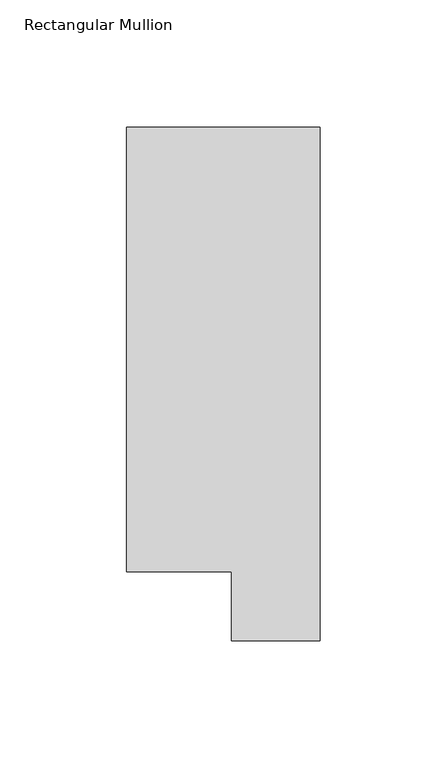
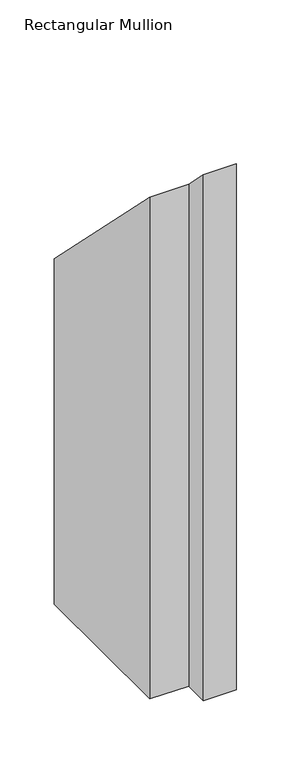
"""IFC4 building model written with IfcOpenShell, lengths in millimetres: member geometry, Rectangular Mullion."""

from ifc_helpers import new_model, si_unit, origin, place, context, project, spatial, faceted_brep, source, transform, mapped, element, save


def rectangular_mullion_597292e8(model_context):
    return source(origin(), model_context, "Body", "Brep", [
        faceted_brep([(0.0, 222.0301313, -609.56825), (0.0, 19.5667312, -609.56825), (-34.9123, 19.5667312, -609.56825), (-34.9123, 46.7447302, -609.56825), (-76.2, 46.7447302, -609.56825), (-76.2, 222.0301313, -609.56825), (-76.2, 222.0301313, -222.0301312), (0.0, 222.0301313, -222.0301312), (-76.2, 46.7447302, -46.7447302), (-34.9123, 46.7447302, -46.7447302), (-34.9123, 19.5667312, -19.5667312), (0.0, 19.5667312, -19.5667312)], [[[0, 1, 2, 3, 4, 5]], [[6, 7, 0, 5]], [[8, 6, 5, 4]], [[9, 8, 4, 3]], [[10, 9, 3, 2]], [[11, 10, 2, 1]], [[7, 11, 1, 0]], [[7, 6, 8, 9, 10, 11]]]),
    ])


if __name__ == "__main__":
    model = new_model("IFC4")
    model_context = context("Model", 3, world=origin())
    ifc_project = project(units=[si_unit("LENGTHUNIT", "METRE", prefix="MILLI")], contexts=[model_context])
    site = spatial("IfcSite", under=ifc_project)
    building = spatial("IfcBuilding", under=site)
    placement = place(None, origin())
    rectangular_mullion_shape = rectangular_mullion_597292e8(model_context)
    element("IfcMember", 1, ObjectType="Rectangular Mullion", at=placement, inside=building, context=model_context, shape_type="MappedRepresentation", body=[
        mapped(rectangular_mullion_shape, transform((0.0, 0.0, 0.0), x_axis=(1.0, 0.0, 0.0), y_axis=(0.0, 1.0, 0.0), z_axis=(0.0, 0.0, 1.0))),
    ])
    save(model, "model.ifc")
